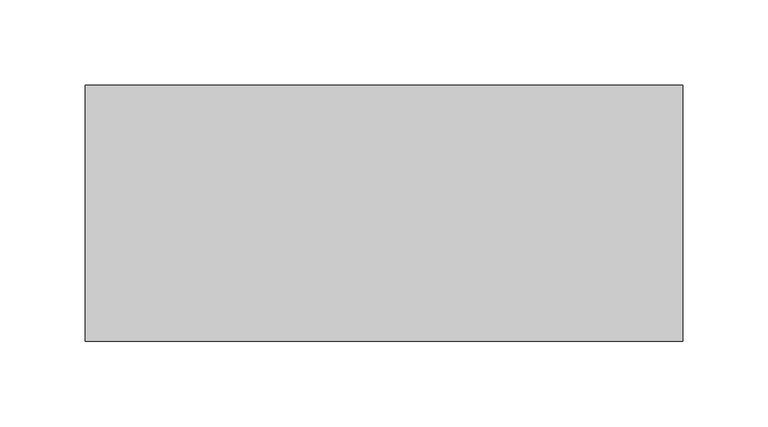
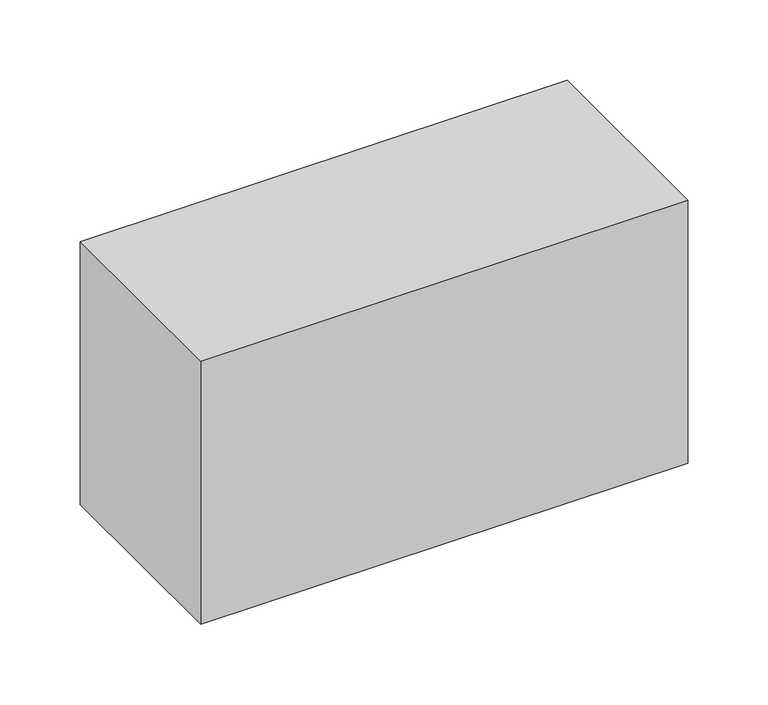
"""IFC4 building model written with IfcOpenShell, lengths in millimetres: proxy geometry."""

from ifc_helpers import new_model, si_unit, frame, origin, place, context, project, spatial, polyline, outline, extrude, source, transform, mapped, element, save


def generic_models_fcb153a7(model_context):
    return source(origin(), model_context, "Body", "SweptSolid", [
        extrude(outline(polyline([(175.0, 75.0), (175.0, -75.0), (-175.0, -75.0), (-175.0, 75.0), (175.0, 75.0)])), frame((0.0, 0.0, -200.0), z_axis=(0.0, 0.0, 1.0), x_axis=(1.0, 0.0, 0.0)), (0.0, 0.0, 1.0), 200.0),
    ])


if __name__ == "__main__":
    model = new_model("IFC4")
    model_context = context("Model", 3, world=origin())
    ifc_project = project(units=[si_unit("LENGTHUNIT", "METRE", prefix="MILLI")], contexts=[model_context])
    site = spatial("IfcSite", under=ifc_project)
    building = spatial("IfcBuilding", under=site)
    placement = place(None, origin())
    generic_models_shape = generic_models_fcb153a7(model_context)
    element("IfcBuildingElementProxy", 1, Name="Generic Models", at=placement, inside=building, context=model_context, shape_type="MappedRepresentation", body=[
        mapped(generic_models_shape, transform((0.0, 0.0, 0.0), x_axis=(1.0, 0.0, 0.0), y_axis=(0.0, 1.0, 0.0), z_axis=(0.0, 0.0, 1.0))),
    ])
    save(model, "model.ifc")
